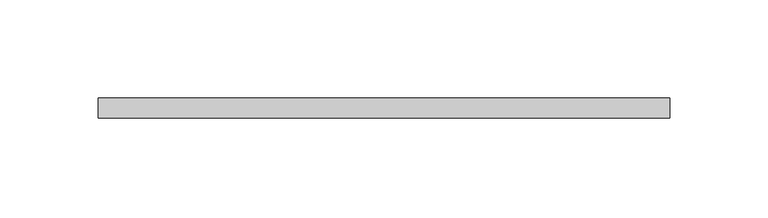
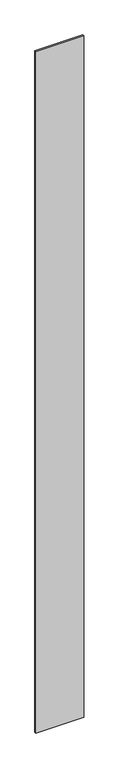
"""IFC4 building model written with IfcOpenShell, lengths in millimetres: plate geometry."""

from ifc_helpers import new_model, si_unit, origin, origin_with_axes, place, context, project, spatial, polyline, outline, extrude, source, transform, mapped, element, save


def plate_e174b267(model_context):
    return source(origin(), model_context, "Body", "SweptSolid", [
        extrude(outline(polyline([(145.0, -5.0), (-145.0, -5.0), (-145.0, 5.0), (145.0, 5.0), (145.0, -5.0)])), origin_with_axes(), (0.0, 0.0, 1.0), 4360.0),
    ])


if __name__ == "__main__":
    model = new_model("IFC4")
    model_context = context("Model", 3, world=origin())
    ifc_project = project(units=[si_unit("LENGTHUNIT", "METRE", prefix="MILLI")], contexts=[model_context])
    site = spatial("IfcSite", under=ifc_project)
    building = spatial("IfcBuilding", under=site)
    placement = place(None, origin())
    plate_shape = plate_e174b267(model_context)
    element("IfcPlate", 1, at=placement, inside=building, context=model_context, shape_type="MappedRepresentation", body=[
        mapped(plate_shape, transform((0.0, 0.0, 0.0), x_axis=(1.0, 0.0, 0.0), y_axis=(0.0, 1.0, 0.0), z_axis=(0.0, 0.0, 1.0))),
    ])
    save(model, "model.ifc")
